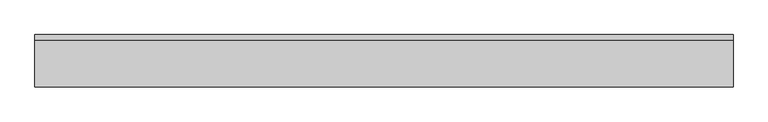
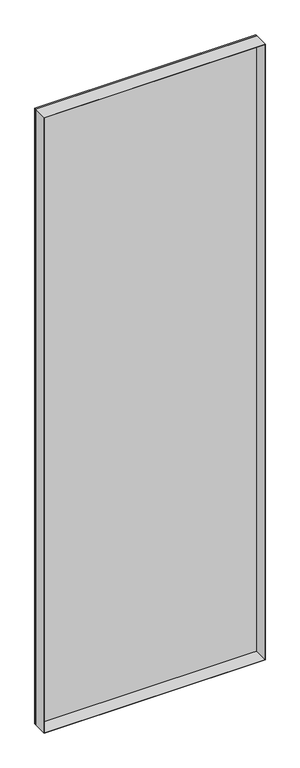
"""IFC4 building model written with IfcOpenShell, lengths in millimetres: plate geometry."""

from ifc_helpers import new_model, si_unit, frame, origin, origin_with_axes, place, context, project, spatial, polyline, outline, extrude, source, transform, mapped, element, save


def plate_171b5091(model_context):
    return source(origin(), model_context, "Body", "SweptSolid", [
        extrude(outline(polyline([(2936.0, -498.9415345), (0.0, -498.9415345), (0.0, 498.9415345), (2936.0, 498.9415345), (2936.0, -498.9415345)]), holes=[polyline([(2935.0, -497.9415345), (2935.0, 497.9415345), (1.0, 497.9415345), (1.0, -497.9415345), (2935.0, -497.9415345)])]), frame((0.0, -37.2, 0.0), z_axis=(0.0, 1.0, 0.0), x_axis=(0.0, 0.0, 1.0)), (0.0, 0.0, 1.0), 66.4),
        extrude(outline(polyline([(498.9415345, 29.2), (-498.9415345, 29.2), (-498.9415345, 37.2), (498.9415345, 37.2), (498.9415345, 29.2)])), origin_with_axes(), (0.0, 0.0, 1.0), 2936.0),
    ])


if __name__ == "__main__":
    model = new_model("IFC4")
    model_context = context("Model", 3, world=origin())
    ifc_project = project(units=[si_unit("LENGTHUNIT", "METRE", prefix="MILLI")], contexts=[model_context])
    site = spatial("IfcSite", under=ifc_project)
    building = spatial("IfcBuilding", under=site)
    placement = place(None, origin())
    plate_shape = plate_171b5091(model_context)
    element("IfcPlate", 1, at=placement, inside=building, context=model_context, shape_type="MappedRepresentation", body=[
        mapped(plate_shape, transform((0.0, 0.0, 0.0), x_axis=(1.0, 0.0, 0.0), y_axis=(0.0, 1.0, 0.0), z_axis=(0.0, 0.0, 1.0))),
    ])
    save(model, "model.ifc")
